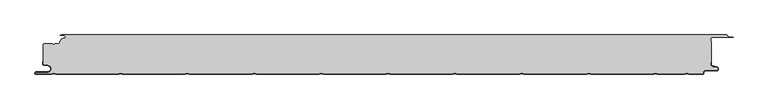
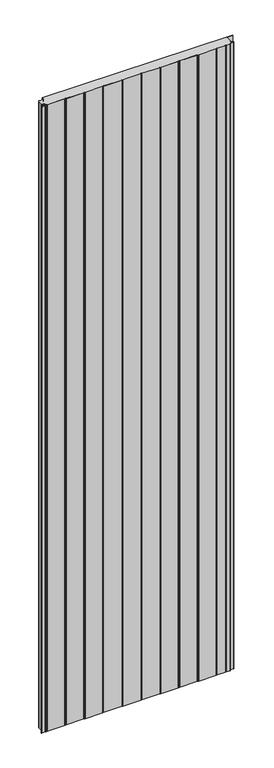
"""IFC4 building model written with IfcOpenShell, lengths in millimetres: plate geometry."""

import ifcopenshell
import ifcopenshell.guid

model = None  # the IFC model being written
_history = None  # IfcOwnerHistory: only IFC2X3 demands one
_inside = {}  # id of a spatial element -> (the spatial element, [elements in it])
_under = {}  # id of a project, library or spatial element -> (it, [spatial elements below it])
_declared = {}  # id of a project -> (the project, [libraries it declares])
_typed = {}  # id of a type object -> (the type object, [elements of that type])
_made_of = {}  # id of a material, layer set ... -> (it, [elements and type objects made of it])


def new_model(schema):
    """Start an empty IFC model of exactly this schema.

    Asked for "IFC4X3", IfcOpenShell would pick the latest addendum, in which some entities
    have other attributes; the version numbers below select the first issue.
    IFC2X3 requires an IfcOwnerHistory on every rooted entity: one is made here for all.
    """
    global model, _history
    if schema == "IFC4X3":
        model = ifcopenshell.file(schema_version=(4, 3, 0, 0))
    else:
        model = ifcopenshell.file(schema=schema)
    _inside.clear()
    _under.clear()
    _declared.clear()
    _typed.clear()
    _made_of.clear()
    _history = None
    if model.schema == "IFC2X3":
        org = make("IfcOrganization", Name="unknown")
        user = make(
            "IfcPersonAndOrganization",
            ThePerson=make("IfcPerson", FamilyName="unknown"),
            TheOrganization=org,
        )
        app = make(
            "IfcApplication",
            ApplicationDeveloper=org,
            Version="unknown",
            ApplicationFullName="unknown",
            ApplicationIdentifier="unknown",
        )
        _history = make(
            "IfcOwnerHistory",
            OwningUser=user,
            OwningApplication=app,
            ChangeAction="ADDED",
            CreationDate=0,
        )
    return model


def make(cls, **values):
    """One entity of the class cls with the attributes given. An attribute that is None is left unset."""
    return model.create_entity(
        cls, **{name: value for name, value in values.items() if value is not None}
    )


def rooted(cls, **values):
    """An entity with a GlobalId (a new one), such as an element, a storey or a relation."""
    return make(cls, GlobalId=ifcopenshell.guid.new(), OwnerHistory=_history, **values)


def si_unit(unit_type, name, prefix=None):
    """IfcSIUnit, for example si_unit("LENGTHUNIT", "METRE", prefix="MILLI")."""
    return make("IfcSIUnit", UnitType=unit_type, Prefix=prefix, Name=name)


def assignment(units):
    """IfcUnitAssignment: the units of a project."""
    return None if units is None else make("IfcUnitAssignment", Units=units)


def point(xyz):
    """IfcCartesianPoint."""
    return None if xyz is None else make("IfcCartesianPoint", Coordinates=xyz)


def direction(xyz):
    """IfcDirection."""
    return None if xyz is None else make("IfcDirection", DirectionRatios=xyz)


def frame(location, z_axis=None, x_axis=None):
    """IfcAxis2Placement3D, a coordinate frame: its origin and axes. An axis left out is left unset."""
    return make(
        "IfcAxis2Placement3D",
        Location=point(location),
        Axis=direction(z_axis),
        RefDirection=direction(x_axis),
    )


def frame_2d(location, x_axis=None):
    """IfcAxis2Placement2D, a coordinate frame in the plane: its origin and x axis."""
    return make(
        "IfcAxis2Placement2D", Location=point(location), RefDirection=direction(x_axis)
    )


def origin():
    """The frame at (0, 0, 0) with its axes left unset."""
    return frame((0.0, 0.0, 0.0))


def origin_with_axes():
    """The frame at (0, 0, 0) with the z axis (0, 0, 1) and the x axis (1, 0, 0) written out."""
    return frame((0.0, 0.0, 0.0), z_axis=(0.0, 0.0, 1.0), x_axis=(1.0, 0.0, 0.0))


def place(relative_to, where):
    """IfcLocalPlacement: puts the frame where relative to a parent placement (None: the world)."""
    return make(
        "IfcLocalPlacement", PlacementRelTo=relative_to, RelativePlacement=where
    )


def context(
    kind, dimensions, precision=None, world=None, true_north=None, identifier=None
):
    """IfcGeometricRepresentationContext, for example the 3D "Model" context."""
    return make(
        "IfcGeometricRepresentationContext",
        ContextIdentifier=identifier,
        ContextType=kind,
        CoordinateSpaceDimension=dimensions,
        Precision=precision,
        WorldCoordinateSystem=world,
        TrueNorth=true_north,
    )


def project(units=None, contexts=None):
    """IfcProject with its units and contexts."""
    return rooted(
        "IfcProject",
        Name="project",
        RepresentationContexts=contexts,
        UnitsInContext=assignment(units),
    )


def spatial(cls, under=None, at=None, **own):
    """A site, building, storey or space (cls), placed at a placement, below another one or the project."""
    s = rooted(cls, ObjectPlacement=at, **own)
    if under is not None:
        _under.setdefault(under.id(), (under, []))[1].append(s)
    return s


def polyline(points):
    """IfcPolyline through the points."""
    return make("IfcPolyline", Points=[point(p) for p in points])


def circle_curve(where, radius):
    """IfcCircle in the frame where."""
    return make("IfcCircle", Position=where, Radius=radius)


def trimmed(basis, trim1, trim2, sense, master):
    """IfcTrimmedCurve: the piece of a basis curve between two trims."""
    return make(
        "IfcTrimmedCurve",
        BasisCurve=basis,
        Trim1=trim1,
        Trim2=trim2,
        SenseAgreement=sense,
        MasterRepresentation=master,
    )


def segment(curve, same_sense, transition):
    """IfcCompositeCurveSegment."""
    return make(
        "IfcCompositeCurveSegment",
        Transition=transition,
        SameSense=same_sense,
        ParentCurve=curve,
    )


def composite_curve(segments, self_intersect=None):
    """IfcCompositeCurve: segments joined end to end."""
    return make("IfcCompositeCurve", Segments=segments, SelfIntersect=self_intersect)


def outline(outer, holes=None, kind="AREA"):
    """IfcArbitraryClosedProfileDef: a profile drawn as a closed curve; with holes, ...WithVoids."""
    if holes is None:
        return make("IfcArbitraryClosedProfileDef", ProfileType=kind, OuterCurve=outer)
    return make(
        "IfcArbitraryProfileDefWithVoids",
        ProfileType=kind,
        OuterCurve=outer,
        InnerCurves=holes,
    )


def extrude(swept, where, along, depth):
    """IfcExtrudedAreaSolid: the profile swept, set in the frame where, extruded along a direction by depth."""
    return make(
        "IfcExtrudedAreaSolid",
        SweptArea=swept,
        Position=where,
        ExtrudedDirection=direction(along),
        Depth=depth,
    )


def shape(context_of_items, identifier, shape_type, items):
    """IfcShapeRepresentation: the items that make up one representation, for example the "Body"."""
    return make(
        "IfcShapeRepresentation",
        ContextOfItems=context_of_items,
        RepresentationIdentifier=identifier,
        RepresentationType=shape_type,
        Items=items,
    )


def source(mapping_origin, context_of_items, identifier, shape_type, items):
    """IfcRepresentationMap: a shape defined once, which mapped items show again and again."""
    return make(
        "IfcRepresentationMap",
        MappingOrigin=mapping_origin,
        MappedRepresentation=shape(context_of_items, identifier, shape_type, items),
    )


def transform(
    local_origin,
    x_axis=None,
    y_axis=None,
    z_axis=None,
    scale=None,
    scale2=None,
    scale3=None,
    uniform=True,
):
    """IfcCartesianTransformationOperator3D, or its non-uniform kind. x_axis, y_axis, z_axis: its Axis1, 2, 3."""
    if uniform:
        return make(
            "IfcCartesianTransformationOperator3D",
            Axis1=direction(x_axis),
            Axis2=direction(y_axis),
            LocalOrigin=point(local_origin),
            Scale=scale,
            Axis3=direction(z_axis),
        )
    return make(
        "IfcCartesianTransformationOperator3DnonUniform",
        Axis1=direction(x_axis),
        Axis2=direction(y_axis),
        LocalOrigin=point(local_origin),
        Scale=scale,
        Axis3=direction(z_axis),
        Scale2=scale2,
        Scale3=scale3,
    )


def mapped(mapping_source, mapping_target):
    """IfcMappedItem: shows the shape of a source again, moved by a transform."""
    return make(
        "IfcMappedItem", MappingSource=mapping_source, MappingTarget=mapping_target
    )


def made_of(thing, what):
    """Note that an element or type object is made of a material, layer set ...; save() writes the relation."""
    if what is not None:
        _made_of.setdefault(what.id(), (what, []))[1].append(thing)
    return thing


def element(
    cls,
    number,
    at=None,
    inside=None,
    cuts=None,
    type_object=None,
    material=None,
    context=None,
    identifier="Body",
    shape_type=None,
    held_by="IfcProductDefinitionShape",
    body=None,
    shapes=None,
    **own,
):
    """One element of the class cls, such as IfcWall. Its Tag is "e" and its number.

    at: its placement. inside: the storey or other place that contains it. cuts: it is an
    opening in that element (IfcRelVoidsElement). A single representation is given by context,
    identifier, shape_type and body (its items); several are given by shapes. held_by: the class
    of the entity that holds the representations. save() writes the other relations.
    """
    e = rooted(cls, Tag="e%d" % number, ObjectPlacement=at, **own)
    if body is not None:
        shapes = [shape(context, identifier, shape_type, body)]
    if shapes is not None:
        e.Representation = make(held_by, Representations=shapes)
    if inside is not None:
        _inside.setdefault(inside.id(), (inside, []))[1].append(e)
    if cuts is not None:
        rooted(
            "IfcRelVoidsElement", RelatingBuildingElement=cuts, RelatedOpeningElement=e
        )
    if type_object is not None:
        _typed.setdefault(type_object.id(), (type_object, []))[1].append(e)
    return made_of(e, material)


def aggregate(whole, parts):
    """IfcRelAggregates: a whole, such as a stair, and the parts it consists of."""
    return rooted("IfcRelAggregates", RelatingObject=whole, RelatedObjects=parts)


def save(model, path):
    """Write the relations noted so far, then the file.

    IfcRelAggregates (storeys below a building ...), IfcRelContainedInSpatialStructure (elements
    in a storey), IfcRelDefinesByType, IfcRelAssociatesMaterial and IfcRelDeclares: one each for
    every whole, place, type object, material and project.
    """
    for whole, parts in _under.values():
        aggregate(whole, parts)
    for where, things in _inside.values():
        rooted(
            "IfcRelContainedInSpatialStructure",
            RelatedElements=things,
            RelatingStructure=where,
        )
    for kind, things in _typed.values():
        rooted("IfcRelDefinesByType", RelatedObjects=things, RelatingType=kind)
    for what, things in _made_of.values():
        rooted("IfcRelAssociatesMaterial", RelatedObjects=things, RelatingMaterial=what)
    for by, libraries in _declared.values():
        rooted("IfcRelDeclares", RelatingContext=by, RelatedDefinitions=libraries)
    model.write(path)


def plane_surface(at):
    """IfcPlane: the flat surface through the origin of the frame at, square to its z axis."""
    return make("IfcPlane", Position=at)


def cylinder_surface(at, radius):
    """IfcCylindricalSurface: all points at the distance radius from the z axis of the frame at."""
    return make("IfcCylindricalSurface", Position=at, Radius=radius)


def revolved_surface(curve, axis_point, axis_direction):
    """IfcSurfaceOfRevolution: the curve turned about the line through axis_point along axis_direction."""
    return make(
        "IfcSurfaceOfRevolution",
        SweptCurve=make("IfcArbitraryOpenProfileDef", ProfileType="CURVE", Curve=curve),
        AxisPosition=make("IfcAxis1Placement", Location=point(axis_point), Axis=direction(axis_direction)),
    )


def advanced_brep(points, edges, surfaces, faces):
    """IfcAdvancedBrep: a solid bounded by faces that lie on surfaces and meet in shared edges.

    An edge is (start, end): straight between two places in points (the first is 0);
    or (start, end, curve); or (start, end, curve, False) where it runs against its curve.
    A face is (place in surfaces, loops), or (place, loops, False) where it looks against
    its surface's normal. A loop lists edges by number (the first is 1), with a minus sign
    where the edge is run from its end to its start. The first loop is the outer one.
    """
    corners = [point(p) for p in points]
    vertices = [make("IfcVertexPoint", VertexGeometry=c) for c in corners]
    made = []
    for start, end, *more in edges:
        made.append(
            make(
                "IfcEdgeCurve",
                EdgeStart=vertices[start],
                EdgeEnd=vertices[end],
                EdgeGeometry=more[0] if more else make("IfcPolyline", Points=[corners[start], corners[end]]),
                SameSense=more[1] if len(more) > 1 else True,
            )
        )
    hull = []
    for where, loops, *sense in faces:
        bounds = []
        for j, loop in enumerate(loops):
            ring = [make("IfcOrientedEdge", EdgeElement=made[abs(k) - 1], Orientation=k > 0) for k in loop]
            bounds.append(
                make(
                    "IfcFaceOuterBound" if j == 0 else "IfcFaceBound",
                    Bound=make("IfcEdgeLoop", EdgeList=ring),
                    Orientation=True,
                )
            )
        hull.append(make("IfcAdvancedFace", Bounds=bounds, FaceSurface=surfaces[where], SameSense=sense[0] if sense else True))
    return make("IfcAdvancedBrep", Outer=make("IfcClosedShell", CfsFaces=hull))


def plate_bbcc4b8d(model_context):
    return source(origin(), model_context, "Body", "SolidModel", [
        advanced_brep(
        [(523.8595905, -2.0325427, 3500.0), (522.5460884, -0.8, 3500.0), (-471.6637731, -0.8, 3500.0), (-474.0000003, -1.3234618, 3500.0), (-468.0000003, -1.3234618, 3500.0), (-468.1134423, -5.9206625, 3500.0), (-474.1919837, -12.028303, 3500.0), (-476.0000003, -13.9234618, 3500.0), (-482.1686293, -13.9234618, 3500.0), (-484.0000002, -15.7548327, 3500.0), (-485.831371, -13.9234618, 3500.0), (-497.4, -13.9234618, 3500.0), (-499.2, -15.7234618, 3500.0), (-499.2, -44.0038437, 3500.0), (-498.2083778, -45.185613, 3500.0), (-491.7622998, -46.3222305, 3500.0), (-492.7, -57.0401924, 3500.0), (-509.7, -57.0401924, 3500.0), (-509.7, -59.2401924, 3500.0), (-486.6751286, -59.2401924, 3500.0), (-484.45, -57.9555137, 3500.0), (-482.7606357, -57.9494241, 3500.0), (-480.4557934, -59.2, 3500.0), (-386.6055134, -59.2, 3500.0), (-384.45, -57.9555137, 3500.0), (-382.7606357, -57.9494241, 3500.0), (-380.4557934, -59.2, 3500.0), (-286.6055134, -59.2, 3500.0), (-284.45, -57.9555137, 3500.0), (-282.7606357, -57.9494242, 3500.0), (-280.4557934, -59.2, 3500.0), (-186.6055134, -59.2, 3500.0), (-184.45, -57.9555137, 3500.0), (-182.7606357, -57.9494242, 3500.0), (-180.4557934, -59.2, 3500.0), (-86.6055134, -59.2, 3500.0), (-84.45, -57.9555137, 3500.0), (-82.7606357, -57.9494242, 3500.0), (-80.4557934, -59.2, 3500.0), (13.3944866, -59.2, 3500.0), (15.55, -57.9555137, 3500.0), (17.2393643, -57.9494242, 3500.0), (19.5442066, -59.2, 3500.0), (113.3944866, -59.2, 3500.0), (115.55, -57.9555137, 3500.0), (117.2393643, -57.9494242, 3500.0), (119.5442066, -59.2, 3500.0), (213.3944866, -59.2, 3500.0), (215.55, -57.9555137, 3500.0), (217.2393643, -57.9494242, 3500.0), (219.5442066, -59.2, 3500.0), (313.3944866, -59.2, 3500.0), (315.55, -57.9555137, 3500.0), (317.2393643, -57.9494242, 3500.0), (319.5442066, -59.2, 3500.0), (413.3944866, -59.2, 3500.0), (415.55, -57.9555138, 3500.0), (417.2393643, -57.9494242, 3500.0), (419.5442066, -59.2000001, 3500.0), (460.2243041, -59.2000001, 3500.0), (462.3798174, -57.9555138, 3500.0), (464.0741626, -57.9522634, 3500.0), (466.3793035, -59.2401924, 3500.0), (487.0105556, -59.2401924, 3500.0), (487.6105556, -58.6401924, 3500.0), (487.6105556, -57.2401924, 3500.0), (491.0105556, -53.8401924, 3500.0), (507.5, -53.8401924, 3500.0), (507.9948923, -49.4965783, 3500.0), (501.8351664, -48.0744935, 3500.0), (499.2, -44.7616353, 3500.0), (499.2, -40.6401924, 3500.0), (500.0, -40.6401924, 3500.0), (500.0, -10.3245382, 3500.0), (499.2, -10.3245382, 3500.0), (499.2, -6.8245382, 3500.0), (502.0, -4.0245382, 3500.0), (532.5, -4.0245382, 3500.0), (525.8912786, -3.5911794, 3500.0), (523.8595905, -2.0325427, 0.0), (525.8912786, -3.5911794, 0.0), (532.5, -4.0245382, 0.0), (502.0, -4.0245382, 0.0), (499.2, -6.8245382, 0.0), (499.2, -10.3245382, 0.0), (500.0, -10.3245382, 0.0), (500.0, -40.6401924, 0.0), (499.2, -40.6401924, 0.0), (499.2, -44.7616353, 0.0), (501.8351664, -48.0744935, 0.0), (507.9948923, -49.4965783, 0.0), (507.5, -53.8401924, 0.0), (491.0105556, -53.8401924, 0.0), (487.6105556, -57.2401924, 0.0), (487.6105556, -58.6401924, 0.0), (487.0105556, -59.2401924, 0.0), (466.3793035, -59.2401924, 0.0), (464.0741626, -57.9522634, 0.0), (462.3798174, -57.9555138, 0.0), (460.2243041, -59.2000001, 0.0), (419.5442066, -59.2000001, 0.0), (417.2393643, -57.9494242, 0.0), (415.55, -57.9555138, 0.0), (413.3944866, -59.2, 0.0), (319.5442066, -59.2, 0.0), (317.2393643, -57.9494242, 0.0), (315.55, -57.9555137, 0.0), (313.3944866, -59.2, 0.0), (219.5442066, -59.2, 0.0), (217.2393643, -57.9494242, 0.0), (215.55, -57.9555137, 0.0), (213.3944866, -59.2, 0.0), (119.5442066, -59.2, 0.0), (117.2393643, -57.9494242, 0.0), (115.55, -57.9555137, 0.0), (113.3944866, -59.2, 0.0), (19.5442066, -59.2, 0.0), (17.2393643, -57.9494242, 0.0), (15.55, -57.9555137, 0.0), (13.3944866, -59.2, 0.0), (-80.4557934, -59.2, 0.0), (-82.7606357, -57.9494242, 0.0), (-84.45, -57.9555137, 0.0), (-86.6055134, -59.2, 0.0), (-180.4557934, -59.2, 0.0), (-182.7606357, -57.9494242, 0.0), (-184.45, -57.9555137, 0.0), (-186.6055134, -59.2, 0.0), (-280.4557934, -59.2, 0.0), (-282.7606357, -57.9494242, 0.0), (-284.45, -57.9555137, 0.0), (-286.6055134, -59.2, 0.0), (-380.4557934, -59.2, 0.0), (-382.7606357, -57.9494241, 0.0), (-384.45, -57.9555137, 0.0), (-386.6055134, -59.2, 0.0), (-480.4557934, -59.2, 0.0), (-482.7606357, -57.9494241, 0.0), (-484.45, -57.9555137, 0.0), (-486.6751286, -59.2401924, 0.0), (-509.7, -59.2401924, 0.0), (-509.7, -57.0401924, 0.0), (-492.7, -57.0401924, 0.0), (-491.7622998, -46.3222305, 0.0), (-498.2083778, -45.185613, 0.0), (-499.2, -44.0038437, 0.0), (-499.2, -15.7234618, 0.0), (-497.4, -13.9234618, 0.0), (-485.831371, -13.9234618, 0.0), (-484.0000002, -15.7548327, 0.0), (-482.1686293, -13.9234618, 0.0), (-476.0000003, -13.9234618, 0.0), (-474.2024882, -12.0288559, 0.0), (-468.1139291, -5.930521, 0.0), (-468.0000003, -1.3234618, 0.0), (-474.0000003, -1.3234618, 0.0), (-471.6637731, -0.8, 0.0), (522.5460884, -0.8, 0.0)],
        [
            (0, 1, circle_curve(frame((522.5460884, -2.116161, 3500.0), z_axis=(0.0, 0.0, 1.0), x_axis=(1.0, 0.0, 0.0)), 1.316161)),
            (1, 2),
            (2, 3),
            (3, 4),
            (4, 5, circle_curve(frame((-468.0000003, -3.6234618, 3500.0), z_axis=(0.0, 0.0, -1.0), x_axis=(1.0, 0.0, 0.0)), 2.3)),
            (5, 6, circle_curve(frame((-468.4000003, -11.7234618, 3500.0), z_axis=(0.0, 0.0, 1.0), x_axis=(1.0, 0.0, 0.0)), 5.8)),
            (6, 7, circle_curve(frame((-476.0000003, -12.1234618, 3500.0), z_axis=(0.0, 0.0, -1.0), x_axis=(1.0, 0.0, 0.0)), 1.8)),
            (7, 8),
            (8, 9),
            (9, 10),
            (10, 11),
            (11, 12, circle_curve(frame((-497.4, -15.7234618, 3500.0), z_axis=(0.0, 0.0, 1.0), x_axis=(1.0, 0.0, 0.0)), 1.8)),
            (12, 13),
            (13, 14, circle_curve(frame((-498.0, -44.0038437, 3500.0), z_axis=(0.0, 0.0, 1.0), x_axis=(1.0, 0.0, 0.0)), 1.2)),
            (14, 15),
            (15, 16, circle_curve(frame((-492.7, -51.6401924, 3500.0), z_axis=(0.0, 0.0, -1.0), x_axis=(1.0, 0.0, 0.0)), 5.4)),
            (16, 17),
            (17, 18, circle_curve(frame((-509.7, -58.1401924, 3500.0), z_axis=(0.0, 0.0, 1.0), x_axis=(1.0, 0.0, 0.0)), 1.1)),
            (18, 19),
            (19, 20),
            (20, 21, circle_curve(frame((-483.6, -59.4277569, 3500.0), z_axis=(0.0, 0.0, -1.0), x_axis=(1.0, 0.0, 0.0)), 1.7)),
            (21, 22),
            (22, 23),
            (23, 24),
            (24, 25, circle_curve(frame((-383.6, -59.4277569, 3500.0), z_axis=(0.0, 0.0, -1.0), x_axis=(1.0, 0.0, 0.0)), 1.7)),
            (25, 26),
            (26, 27),
            (27, 28),
            (28, 29, circle_curve(frame((-283.6, -59.4277569, 3500.0), z_axis=(0.0, 0.0, -1.0), x_axis=(1.0, 0.0, 0.0)), 1.7)),
            (29, 30),
            (30, 31),
            (31, 32),
            (32, 33, circle_curve(frame((-183.6, -59.4277569, 3500.0), z_axis=(0.0, 0.0, -1.0), x_axis=(1.0, 0.0, 0.0)), 1.7)),
            (33, 34),
            (34, 35),
            (35, 36),
            (36, 37, circle_curve(frame((-83.6, -59.4277569, 3500.0), z_axis=(0.0, 0.0, -1.0), x_axis=(1.0, 0.0, 0.0)), 1.7)),
            (37, 38),
            (38, 39),
            (39, 40),
            (40, 41, circle_curve(frame((16.4, -59.4277569, 3500.0), z_axis=(0.0, 0.0, -1.0), x_axis=(1.0, 0.0, 0.0)), 1.7)),
            (41, 42),
            (42, 43),
            (43, 44),
            (44, 45, circle_curve(frame((116.4, -59.4277569, 3500.0), z_axis=(0.0, 0.0, -1.0), x_axis=(1.0, 0.0, 0.0)), 1.7)),
            (45, 46),
            (46, 47),
            (47, 48),
            (48, 49, circle_curve(frame((216.4, -59.4277569, 3500.0), z_axis=(0.0, 0.0, -1.0), x_axis=(1.0, 0.0, 0.0)), 1.7)),
            (49, 50),
            (50, 51),
            (51, 52),
            (52, 53, circle_curve(frame((316.4, -59.4277569, 3500.0), z_axis=(0.0, 0.0, -1.0), x_axis=(1.0, 0.0, 0.0)), 1.7)),
            (53, 54),
            (54, 55),
            (55, 56),
            (56, 57, circle_curve(frame((416.4, -59.4277569, 3500.0), z_axis=(0.0, 0.0, -1.0), x_axis=(1.0, 0.0, 0.0)), 1.7)),
            (57, 58),
            (58, 59),
            (59, 60),
            (60, 61, circle_curve(frame((463.2298174, -59.4277569, 3500.0), z_axis=(0.0, 0.0, -1.0), x_axis=(1.0, 0.0, 0.0)), 1.7)),
            (61, 62),
            (62, 63),
            (63, 64, circle_curve(frame((487.0105556, -58.6401924, 3500.0), z_axis=(0.0, 0.0, 1.0), x_axis=(1.0, 0.0, 0.0)), 0.6)),
            (64, 65),
            (65, 66, circle_curve(frame((491.0105556, -57.2401924, 3500.0), z_axis=(0.0, 0.0, -1.0), x_axis=(1.0, 0.0, 0.0)), 3.4)),
            (66, 67),
            (67, 68, circle_curve(frame((507.5, -51.6401924, 3500.0), z_axis=(0.0, 0.0, 1.0), x_axis=(1.0, 0.0, 0.0)), 2.2)),
            (68, 69),
            (69, 70, circle_curve(frame((502.6, -44.7616353, 3500.0), z_axis=(0.0, 0.0, -1.0), x_axis=(1.0, 0.0, 0.0)), 3.4)),
            (70, 71),
            (71, 72),
            (72, 73),
            (73, 74),
            (74, 75),
            (75, 76, circle_curve(frame((502.0, -6.8245382, 3500.0), z_axis=(0.0, 0.0, -1.0), x_axis=(1.0, 0.0, 0.0)), 2.8)),
            (76, 77),
            (77, 78),
            (78, 0, circle_curve(frame((525.5561562, -1.9245382, 3500.0), z_axis=(0.0, 0.0, -1.0), x_axis=(1.0, 0.0, 0.0)), 1.7)),
            (79, 80, circle_curve(frame((525.5561562, -1.9245382, 0.0), z_axis=(0.0, 0.0, 1.0), x_axis=(1.0, 0.0, 0.0)), 1.7)),
            (80, 81),
            (81, 82),
            (82, 83, circle_curve(frame((502.0, -6.8245382, 0.0), z_axis=(0.0, 0.0, 1.0), x_axis=(1.0, 0.0, 0.0)), 2.8)),
            (83, 84),
            (84, 85),
            (85, 86),
            (86, 87),
            (87, 88),
            (88, 89, circle_curve(frame((502.6, -44.7616353, 0.0), z_axis=(0.0, 0.0, 1.0), x_axis=(1.0, 0.0, 0.0)), 3.4)),
            (89, 90),
            (90, 91, circle_curve(frame((507.5, -51.6401924, 0.0), z_axis=(0.0, 0.0, -1.0), x_axis=(1.0, 0.0, 0.0)), 2.2)),
            (91, 92),
            (92, 93, circle_curve(frame((491.0105556, -57.2401924, 0.0), z_axis=(0.0, 0.0, 1.0), x_axis=(1.0, 0.0, 0.0)), 3.4)),
            (93, 94),
            (94, 95, circle_curve(frame((487.0105556, -58.6401924, 0.0), z_axis=(0.0, 0.0, -1.0), x_axis=(1.0, 0.0, 0.0)), 0.6)),
            (95, 96),
            (96, 97),
            (97, 98, circle_curve(frame((463.2298174, -59.4277569, 0.0), z_axis=(0.0, 0.0, 1.0), x_axis=(1.0, 0.0, 0.0)), 1.7)),
            (98, 99),
            (99, 100),
            (100, 101),
            (101, 102, circle_curve(frame((416.4, -59.4277569, 0.0), z_axis=(0.0, 0.0, 1.0), x_axis=(1.0, 0.0, 0.0)), 1.7)),
            (102, 103),
            (103, 104),
            (104, 105),
            (105, 106, circle_curve(frame((316.4, -59.4277569, 0.0), z_axis=(0.0, 0.0, 1.0), x_axis=(1.0, 0.0, 0.0)), 1.7)),
            (106, 107),
            (107, 108),
            (108, 109),
            (109, 110, circle_curve(frame((216.4, -59.4277569, 0.0), z_axis=(0.0, 0.0, 1.0), x_axis=(1.0, 0.0, 0.0)), 1.7)),
            (110, 111),
            (111, 112),
            (112, 113),
            (113, 114, circle_curve(frame((116.4, -59.4277569, 0.0), z_axis=(0.0, 0.0, 1.0), x_axis=(1.0, 0.0, 0.0)), 1.7)),
            (114, 115),
            (115, 116),
            (116, 117),
            (117, 118, circle_curve(frame((16.4, -59.4277569, 0.0), z_axis=(0.0, 0.0, 1.0), x_axis=(1.0, 0.0, 0.0)), 1.7)),
            (118, 119),
            (119, 120),
            (120, 121),
            (121, 122, circle_curve(frame((-83.6, -59.4277569, 0.0), z_axis=(0.0, 0.0, 1.0), x_axis=(1.0, 0.0, 0.0)), 1.7)),
            (122, 123),
            (123, 124),
            (124, 125),
            (125, 126, circle_curve(frame((-183.6, -59.4277569, 0.0), z_axis=(0.0, 0.0, 1.0), x_axis=(1.0, 0.0, 0.0)), 1.7)),
            (126, 127),
            (127, 128),
            (128, 129),
            (129, 130, circle_curve(frame((-283.6, -59.4277569, 0.0), z_axis=(0.0, 0.0, 1.0), x_axis=(1.0, 0.0, 0.0)), 1.7)),
            (130, 131),
            (131, 132),
            (132, 133),
            (133, 134, circle_curve(frame((-383.6, -59.4277569, 0.0), z_axis=(0.0, 0.0, 1.0), x_axis=(1.0, 0.0, 0.0)), 1.7)),
            (134, 135),
            (135, 136),
            (136, 137),
            (137, 138, circle_curve(frame((-483.6, -59.4277569, 0.0), z_axis=(0.0, 0.0, 1.0), x_axis=(1.0, 0.0, 0.0)), 1.7)),
            (138, 139),
            (139, 140),
            (140, 141, circle_curve(frame((-509.7, -58.1401924, 0.0), z_axis=(0.0, 0.0, -1.0), x_axis=(1.0, 0.0, 0.0)), 1.1)),
            (141, 142),
            (142, 143, circle_curve(frame((-492.7, -51.6401924, 0.0), z_axis=(0.0, 0.0, 1.0), x_axis=(1.0, 0.0, 0.0)), 5.4)),
            (143, 144),
            (144, 145, circle_curve(frame((-498.0, -44.0038437, 0.0), z_axis=(0.0, 0.0, -1.0), x_axis=(1.0, 0.0, 0.0)), 1.2)),
            (145, 146),
            (146, 147, circle_curve(frame((-497.4, -15.7234618, 0.0), z_axis=(0.0, 0.0, -1.0), x_axis=(1.0, 0.0, 0.0)), 1.8)),
            (147, 148),
            (148, 149),
            (149, 150),
            (150, 151),
            (151, 152, circle_curve(frame((-476.0000003, -12.1234618, 0.0), z_axis=(0.0, 0.0, 1.0), x_axis=(1.0, 0.0, 0.0)), 1.8)),
            (152, 153, circle_curve(frame((-468.4000003, -11.7234618, 0.0), z_axis=(0.0, 0.0, -1.0), x_axis=(1.0, 0.0, 0.0)), 5.8)),
            (153, 154, circle_curve(frame((-468.0000003, -3.6234618, 0.0), z_axis=(0.0, 0.0, 1.0), x_axis=(1.0, 0.0, 0.0)), 2.3)),
            (154, 155),
            (155, 156),
            (156, 157),
            (157, 79, circle_curve(frame((522.5460884, -2.116161, 0.0), z_axis=(0.0, 0.0, -1.0), x_axis=(1.0, 0.0, 0.0)), 1.316161)),
            (0, 79),
            (157, 1),
            (156, 2),
            (155, 3),
            (154, 4),
            (153, 5),
            (152, 6),
            (151, 7),
            (150, 8),
            (149, 9),
            (148, 10),
            (147, 11),
            (146, 12),
            (145, 13),
            (144, 14),
            (143, 15),
            (142, 16),
            (141, 17),
            (140, 18),
            (139, 19),
            (138, 20),
            (137, 21),
            (136, 22),
            (135, 23),
            (134, 24),
            (133, 25),
            (132, 26),
            (131, 27),
            (130, 28),
            (129, 29),
            (128, 30),
            (127, 31),
            (126, 32),
            (125, 33),
            (124, 34),
            (123, 35),
            (122, 36),
            (121, 37),
            (120, 38),
            (119, 39),
            (118, 40),
            (117, 41),
            (116, 42),
            (115, 43),
            (114, 44),
            (113, 45),
            (112, 46),
            (111, 47),
            (110, 48),
            (109, 49),
            (108, 50),
            (107, 51),
            (106, 52),
            (105, 53),
            (104, 54),
            (103, 55),
            (102, 56),
            (101, 57),
            (100, 58),
            (99, 59),
            (98, 60),
            (97, 61),
            (96, 62),
            (95, 63),
            (94, 64),
            (93, 65),
            (92, 66),
            (91, 67),
            (90, 68),
            (89, 69),
            (88, 70),
            (87, 71),
            (86, 72),
            (85, 73),
            (84, 74),
            (83, 75),
            (82, 76),
            (81, 77),
            (80, 78),
        ],
        [
            plane_surface(frame((-500.0, -60.0, 3500.0), z_axis=(0.0, 0.0, 1.0), x_axis=(0.0, 1.0, 0.0))),
            plane_surface(frame((-500.0, -60.0, 0.0), z_axis=(0.0, 0.0, -1.0), x_axis=(0.0, 1.0, 0.0))),
            cylinder_surface(frame((522.5460884, -2.116161, 3500.0), z_axis=(0.0, 0.0, 1.0), x_axis=(1.0, 0.0, 0.0)), 1.316161),
            plane_surface(frame((522.5460884, -0.8, 3500.0), z_axis=(0.0, 1.0, 0.0), x_axis=(0.0, 0.0, -1.0))),
            plane_surface(frame((-471.6637731, -0.8, 3500.0), z_axis=(-0.21864173282830812, 0.975805202212939, 0.0), x_axis=(0.0, 0.0, -1.0))),
            plane_surface(frame((-474.0000003, -1.3234618, 3500.0), z_axis=(0.0, -1.0, 0.0), x_axis=(0.0, 0.0, -1.0))),
            revolved_surface(polyline([(-465.7000003, -3.6234618, 0.0), (-465.7000003, -3.6234618, 3500.0)]), (-468.0000003, -3.6234618, 3500.0), (0.0, 0.0, -1.0)),
            cylinder_surface(frame((-468.4000003, -11.7234618, 3500.0), z_axis=(0.0, 0.0, 1.0), x_axis=(1.0, 0.0, 0.0)), 5.8),
            revolved_surface(polyline([(-474.2000003, -12.1234618, 0.0), (-474.2000003, -12.1234618, 3500.0)]), (-476.0000003, -12.1234618, 3500.0), (0.0, 0.0, -1.0)),
            plane_surface(frame((-476.0000003, -13.9234618, 3500.0), z_axis=(0.0, 1.0, 0.0), x_axis=(0.0, 0.0, -1.0))),
            plane_surface(frame((-482.1686293, -13.9234618, 3500.0), z_axis=(-0.7071067810231892, 0.7071067813499059, 0.0), x_axis=(0.0, 0.0, -1.0))),
            plane_surface(frame((-484.0000002, -15.7548327, 3500.0), z_axis=(0.7071067813499059, 0.7071067810231892, 0.0), x_axis=(0.0, 0.0, -1.0))),
            plane_surface(frame((-485.831371, -13.9234618, 3500.0), z_axis=(0.0, 1.0, 0.0), x_axis=(0.0, 0.0, -1.0))),
            cylinder_surface(frame((-497.4, -15.7234618, 3500.0), z_axis=(0.0, 0.0, 1.0), x_axis=(1.0, 0.0, 0.0)), 1.8),
            plane_surface(frame((-499.2, -17.1226667, 3500.0), z_axis=(-1.0, 0.0, 0.0), x_axis=(0.0, 0.0, -1.0))),
            cylinder_surface(frame((-498.0, -44.0038437, 3500.0), z_axis=(0.0, 0.0, 1.0), x_axis=(1.0, 0.0, 0.0)), 1.2),
            plane_surface(frame((-498.2083778, -45.185613, 3500.0), z_axis=(-0.1736481776669248, -0.984807753012209, 0.0), x_axis=(0.0, 0.0, -1.0))),
            revolved_surface(polyline([(-487.3, -51.6401924, 0.0), (-487.3, -51.6401924, 3500.0)]), (-492.7, -51.6401924, 3500.0), (0.0, 0.0, -1.0)),
            plane_surface(frame((-492.7, -57.0401924, 3500.0), z_axis=(0.0, 1.0, 0.0), x_axis=(0.0, 0.0, -1.0))),
            cylinder_surface(frame((-509.7, -58.1401924, 3500.0), z_axis=(0.0, 0.0, 1.0), x_axis=(1.0, 0.0, 0.0)), 1.1),
            plane_surface(frame((-509.7, -59.2401924, 3500.0), z_axis=(0.0, -1.0, 0.0), x_axis=(0.0, 0.0, -1.0))),
            plane_surface(frame((-486.6751286, -59.2401924, 3500.0), z_axis=(0.5000000299311667, -0.8660253865036709, 0.0), x_axis=(0.0, 0.0, -1.0))),
            revolved_surface(polyline([(-481.90000000000003, -59.4277569, 0.0), (-481.90000000000003, -59.4277569, 3500.0)]), (-483.6, -59.4277569, 3500.0), (0.0, 0.0, -1.0)),
            plane_surface(frame((-482.7606357, -57.9494241, 3500.0), z_axis=(-0.47690797328217005, -0.878953232555574, 0.0), x_axis=(0.0, 0.0, -1.0))),
            plane_surface(frame((-480.4557934, -59.2, 3500.0), z_axis=(0.0, -1.0, 0.0), x_axis=(0.0, 0.0, -1.0))),
            plane_surface(frame((-386.6055134, -59.2, 3500.0), z_axis=(0.5000000299307237, -0.8660253865039267, 0.0), x_axis=(0.0, 0.0, -1.0))),
            revolved_surface(polyline([(-381.90000000000003, -59.4277569, 0.0), (-381.90000000000003, -59.4277569, 3500.0)]), (-383.6, -59.4277569, 3500.0), (0.0, 0.0, -1.0)),
            plane_surface(frame((-382.7606357, -57.9494241, 3500.0), z_axis=(-0.4769079732821666, -0.8789532325555759, 0.0), x_axis=(0.0, 0.0, -1.0))),
            plane_surface(frame((-380.4557934, -59.2, 3500.0), z_axis=(0.0, -1.0, 0.0), x_axis=(0.0, 0.0, -1.0))),
            plane_surface(frame((-286.6055134, -59.2, 3500.0), z_axis=(0.5000000299311692, -0.8660253865036693, 0.0), x_axis=(0.0, 0.0, -1.0))),
            revolved_surface(polyline([(-281.90000000000003, -59.4277569, 0.0), (-281.90000000000003, -59.4277569, 3500.0)]), (-283.6, -59.4277569, 3500.0), (0.0, 0.0, -1.0)),
            plane_surface(frame((-282.7606357, -57.9494242, 3500.0), z_axis=(-0.4769079732821966, -0.8789532325555597, 0.0), x_axis=(0.0, 0.0, -1.0))),
            plane_surface(frame((-280.4557934, -59.2, 3500.0), z_axis=(0.0, -1.0, 0.0), x_axis=(0.0, 0.0, -1.0))),
            plane_surface(frame((-186.6055134, -59.2, 3500.0), z_axis=(0.5000000299307252, -0.8660253865039258, 0.0), x_axis=(0.0, 0.0, -1.0))),
            revolved_surface(polyline([(-181.9, -59.4277569, 0.0), (-181.9, -59.4277569, 3500.0)]), (-183.6, -59.4277569, 3500.0), (0.0, 0.0, -1.0)),
            plane_surface(frame((-182.7606357, -57.9494242, 3500.0), z_axis=(-0.4769079732823461, -0.8789532325554785, 0.0), x_axis=(0.0, 0.0, -1.0))),
            plane_surface(frame((-180.4557934, -59.2, 3500.0), z_axis=(0.0, -1.0, 0.0), x_axis=(0.0, 0.0, -1.0))),
            plane_surface(frame((-86.6055134, -59.2, 3500.0), z_axis=(0.5000000299313181, -0.8660253865035835, 0.0), x_axis=(0.0, 0.0, -1.0))),
            revolved_surface(polyline([(-81.89999999999999, -59.4277569, 0.0), (-81.89999999999999, -59.4277569, 3500.0)]), (-83.6, -59.4277569, 3500.0), (0.0, 0.0, -1.0)),
            plane_surface(frame((-82.7606357, -57.9494242, 3500.0), z_axis=(-0.4769079732823407, -0.8789532325554815, 0.0), x_axis=(0.0, 0.0, -1.0))),
            plane_surface(frame((-80.4557934, -59.2, 3500.0), z_axis=(0.0, -1.0, 0.0), x_axis=(0.0, 0.0, -1.0))),
            plane_surface(frame((13.3944866, -59.2, 3500.0), z_axis=(0.500000029930723, -0.866025386503927, 0.0), x_axis=(0.0, 0.0, -1.0))),
            revolved_surface(polyline([(18.099999999999998, -59.4277569, 0.0), (18.099999999999998, -59.4277569, 3500.0)]), (16.4, -59.4277569, 3500.0), (0.0, 0.0, -1.0)),
            plane_surface(frame((17.2393643, -57.9494242, 3500.0), z_axis=(-0.4769079732822356, -0.8789532325555385, 0.0), x_axis=(0.0, 0.0, -1.0))),
            plane_surface(frame((19.5442066, -59.2, 3500.0), z_axis=(0.0, -1.0, 0.0), x_axis=(0.0, 0.0, -1.0))),
            plane_surface(frame((113.3944866, -59.2, 3500.0), z_axis=(0.5000000299311671, -0.8660253865036706, 0.0), x_axis=(0.0, 0.0, -1.0))),
            revolved_surface(polyline([(118.10000000000001, -59.4277569, 0.0), (118.10000000000001, -59.4277569, 3500.0)]), (116.4, -59.4277569, 3500.0), (0.0, 0.0, -1.0)),
            plane_surface(frame((117.2393643, -57.9494242, 3500.0), z_axis=(-0.4769079732821772, -0.8789532325555701, 0.0), x_axis=(0.0, 0.0, -1.0))),
            plane_surface(frame((119.5442066, -59.2, 3500.0), z_axis=(0.0, -1.0, 0.0), x_axis=(0.0, 0.0, -1.0))),
            plane_surface(frame((213.3944866, -59.2, 3500.0), z_axis=(0.5000000299307268, -0.8660253865039248, 0.0), x_axis=(0.0, 0.0, -1.0))),
            revolved_surface(polyline([(218.1, -59.4277569, 0.0), (218.1, -59.4277569, 3500.0)]), (216.4, -59.4277569, 3500.0), (0.0, 0.0, -1.0)),
            plane_surface(frame((217.2393643, -57.9494242, 3500.0), z_axis=(-0.4769079732821906, -0.8789532325555629, 0.0), x_axis=(0.0, 0.0, -1.0))),
            plane_surface(frame((219.5442066, -59.2, 3500.0), z_axis=(0.0, -1.0, 0.0), x_axis=(0.0, 0.0, -1.0))),
            plane_surface(frame((313.3944866, -59.2, 3500.0), z_axis=(0.5000000299311079, -0.8660253865037049, 0.0), x_axis=(0.0, 0.0, -1.0))),
            revolved_surface(polyline([(318.09999999999997, -59.4277569, 0.0), (318.09999999999997, -59.4277569, 3500.0)]), (316.4, -59.4277569, 3500.0), (0.0, 0.0, -1.0)),
            plane_surface(frame((317.2393643, -57.9494242, 3500.0), z_axis=(-0.476907973282159, -0.8789532325555801, 0.0), x_axis=(0.0, 0.0, -1.0))),
            plane_surface(frame((319.5442066, -59.2, 3500.0), z_axis=(0.0, -1.0, 0.0), x_axis=(0.0, 0.0, -1.0))),
            plane_surface(frame((413.3944866, -59.2, 3500.0), z_axis=(0.5000000299307292, -0.8660253865039235, 0.0), x_axis=(0.0, 0.0, -1.0))),
            revolved_surface(polyline([(418.09999999999997, -59.4277569, 0.0), (418.09999999999997, -59.4277569, 3500.0)]), (416.4, -59.4277569, 3500.0), (0.0, 0.0, -1.0)),
            plane_surface(frame((417.2393643, -57.9494242, 3500.0), z_axis=(-0.47690797328237156, -0.8789532325554646, 0.0), x_axis=(0.0, 0.0, -1.0))),
            plane_surface(frame((419.5442066, -59.2000001, 3500.0), z_axis=(0.0, -1.0, 0.0), x_axis=(0.0, 0.0, -1.0))),
            plane_surface(frame((460.2243041, -59.2000001, 3500.0), z_axis=(0.5000000299306834, -0.86602538650395, 0.0), x_axis=(0.0, 0.0, -1.0))),
            revolved_surface(polyline([(464.9298174, -59.4277569, 0.0), (464.9298174, -59.4277569, 3500.0)]), (463.2298174, -59.4277569, 3500.0), (0.0, 0.0, -1.0)),
            plane_surface(frame((464.0741626, -57.9522634, 3500.0), z_axis=(-0.48775269747067673, -0.8729818475260975, 0.0), x_axis=(0.0, 0.0, -1.0))),
            plane_surface(frame((466.3793035, -59.2401924, 3500.0), z_axis=(0.0, -1.0, 0.0), x_axis=(0.0, 0.0, -1.0))),
            cylinder_surface(frame((487.0105556, -58.6401924, 3500.0), z_axis=(0.0, 0.0, 1.0), x_axis=(1.0, 0.0, 0.0)), 0.6),
            plane_surface(frame((487.6105556, -58.6401924, 3500.0), z_axis=(1.0, 0.0, 0.0), x_axis=(0.0, 0.0, -1.0))),
            revolved_surface(polyline([(494.41055559999995, -57.2401924, 0.0), (494.41055559999995, -57.2401924, 3500.0)]), (491.0105556, -57.2401924, 3500.0), (0.0, 0.0, -1.0)),
            plane_surface(frame((491.0105556, -53.8401924, 3500.0), z_axis=(0.0, -1.0, 0.0), x_axis=(0.0, 0.0, -1.0))),
            cylinder_surface(frame((507.5, -51.6401924, 3500.0), z_axis=(0.0, 0.0, 1.0), x_axis=(1.0, 0.0, 0.0)), 2.2),
            plane_surface(frame((507.9948923, -49.4965783, 3500.0), z_axis=(0.22495105434371662, 0.9743700647852696, 0.0), x_axis=(0.0, 0.0, -1.0))),
            revolved_surface(polyline([(506.0, -44.7616353, 0.0), (506.0, -44.7616353, 3500.0)]), (502.6, -44.7616353, 3500.0), (0.0, 0.0, -1.0)),
            plane_surface(frame((499.2, -44.7616353, 3500.0), z_axis=(1.0, 0.0, 0.0), x_axis=(0.0, 0.0, -1.0))),
            plane_surface(frame((499.2, -40.6401924, 3500.0), z_axis=(0.0, -1.0, 0.0), x_axis=(0.0, 0.0, -1.0))),
            plane_surface(frame((500.0, -40.6401924, 3500.0), z_axis=(1.0, 0.0, 0.0), x_axis=(0.0, 0.0, -1.0))),
            plane_surface(frame((500.0, -10.3245382, 3500.0), z_axis=(0.0, 1.0, 0.0), x_axis=(0.0, 0.0, -1.0))),
            plane_surface(frame((499.2, -10.3245382, 3500.0), z_axis=(1.0, 0.0, 0.0), x_axis=(0.0, 0.0, -1.0))),
            revolved_surface(polyline([(504.8, -6.8245382, 0.0), (504.8, -6.8245382, 3500.0)]), (502.0, -6.8245382, 3500.0), (0.0, 0.0, -1.0)),
            plane_surface(frame((502.0, -4.0245382, 3500.0), z_axis=(0.0, -1.0, 0.0), x_axis=(0.0, 0.0, -1.0))),
            plane_surface(frame((532.5, -4.0245382, 3500.0), z_axis=(0.0654332425608329, 0.9978569490503012, 0.0), x_axis=(0.0, 0.0, -1.0))),
            revolved_surface(polyline([(527.2561562000001, -1.9245382, 0.0), (527.2561562000001, -1.9245382, 3500.0)]), (525.5561562, -1.9245382, 3500.0), (0.0, 0.0, -1.0)),
        ],
        [
            (0, [[1, 2, 3, 4, 5, 6, 7, 8, 9, 10, 11, 12, 13, 14, 15, 16, 17, 18, 19, 20, 21, 22, 23, 24, 25, 26, 27, 28, 29, 30, 31, 32, 33, 34, 35, 36, 37, 38, 39, 40, 41, 42, 43, 44, 45, 46, 47, 48, 49, 50, 51, 52, 53, 54, 55, 56, 57, 58, 59, 60, 61, 62, 63, 64, 65, 66, 67, 68, 69, 70, 71, 72, 73, 74, 75, 76, 77, 78, 79]]),
            (1, [[80, 81, 82, 83, 84, 85, 86, 87, 88, 89, 90, 91, 92, 93, 94, 95, 96, 97, 98, 99, 100, 101, 102, 103, 104, 105, 106, 107, 108, 109, 110, 111, 112, 113, 114, 115, 116, 117, 118, 119, 120, 121, 122, 123, 124, 125, 126, 127, 128, 129, 130, 131, 132, 133, 134, 135, 136, 137, 138, 139, 140, 141, 142, 143, 144, 145, 146, 147, 148, 149, 150, 151, 152, 153, 154, 155, 156, 157, 158]]),
            (2, [[-1, 159, -158, 160]]),
            (3, [[-2, -160, -157, 161]]),
            (4, [[-3, -161, -156, 162]]),
            (5, [[-4, -162, -155, 163]]),
            (6, [[-5, -163, -154, 164]]),
            (7, [[-6, -164, -153, 165]]),
            (8, [[-7, -165, -152, 166]]),
            (9, [[-8, -166, -151, 167]]),
            (10, [[-9, -167, -150, 168]]),
            (11, [[-10, -168, -149, 169]]),
            (12, [[-11, -169, -148, 170]]),
            (13, [[-12, -170, -147, 171]]),
            (14, [[-171, -146, 172, -13]]),
            (15, [[-14, -172, -145, 173]]),
            (16, [[-15, -173, -144, 174]]),
            (17, [[-16, -174, -143, 175]]),
            (18, [[-17, -175, -142, 176]]),
            (19, [[-18, -176, -141, 177]]),
            (20, [[-19, -177, -140, 178]]),
            (21, [[-20, -178, -139, 179]]),
            (22, [[-21, -179, -138, 180]]),
            (23, [[-22, -180, -137, 181]]),
            (24, [[-23, -181, -136, 182]]),
            (25, [[-24, -182, -135, 183]]),
            (26, [[-25, -183, -134, 184]]),
            (27, [[-26, -184, -133, 185]]),
            (28, [[-27, -185, -132, 186]]),
            (29, [[-28, -186, -131, 187]]),
            (30, [[-29, -187, -130, 188]]),
            (31, [[-30, -188, -129, 189]]),
            (32, [[-31, -189, -128, 190]]),
            (33, [[-32, -190, -127, 191]]),
            (34, [[-33, -191, -126, 192]]),
            (35, [[-34, -192, -125, 193]]),
            (36, [[-35, -193, -124, 194]]),
            (37, [[-36, -194, -123, 195]]),
            (38, [[-37, -195, -122, 196]]),
            (39, [[-38, -196, -121, 197]]),
            (40, [[-39, -197, -120, 198]]),
            (41, [[-40, -198, -119, 199]]),
            (42, [[-41, -199, -118, 200]]),
            (43, [[-42, -200, -117, 201]]),
            (44, [[-43, -201, -116, 202]]),
            (45, [[-44, -202, -115, 203]]),
            (46, [[-45, -203, -114, 204]]),
            (47, [[-46, -204, -113, 205]]),
            (48, [[-47, -205, -112, 206]]),
            (49, [[-48, -206, -111, 207]]),
            (50, [[-49, -207, -110, 208]]),
            (51, [[-50, -208, -109, 209]]),
            (52, [[-51, -209, -108, 210]]),
            (53, [[-52, -210, -107, 211]]),
            (54, [[-53, -211, -106, 212]]),
            (55, [[-54, -212, -105, 213]]),
            (56, [[-55, -213, -104, 214]]),
            (57, [[-56, -214, -103, 215]]),
            (58, [[-57, -215, -102, 216]]),
            (59, [[-58, -216, -101, 217]]),
            (60, [[-59, -217, -100, 218]]),
            (61, [[-60, -218, -99, 219]]),
            (62, [[-61, -219, -98, 220]]),
            (63, [[-62, -220, -97, 221]]),
            (64, [[-63, -221, -96, 222]]),
            (65, [[-64, -222, -95, 223]]),
            (66, [[-65, -223, -94, 224]]),
            (67, [[-66, -224, -93, 225]]),
            (68, [[-67, -225, -92, 226]]),
            (69, [[-68, -226, -91, 227]]),
            (70, [[-69, -227, -90, 228]]),
            (71, [[-70, -228, -89, 229]]),
            (72, [[-71, -229, -88, 230]]),
            (73, [[-72, -230, -87, 231]]),
            (74, [[-73, -231, -86, 232]]),
            (75, [[-74, -232, -85, 233]]),
            (76, [[-75, -233, -84, 234]]),
            (77, [[-76, -234, -83, 235]]),
            (78, [[-77, -235, -82, 236]]),
            (79, [[-78, -236, -81, 237]]),
            (80, [[-79, -237, -80, -159]]),
        ],
    ),
        extrude(outline(composite_curve([segment(trimmed(circle_curve(frame_2d((-498.0, -43.9636514)), 2.0), [point((-498.3472964, -45.9332669))], [point((-500.0, -43.9636514))], False, "CARTESIAN"), True, "CONTINUOUS"), segment(polyline([(-500.0, -43.9636514), (-500.0, -40.6), (-499.2, -40.6), (-499.2, -43.9636514)]), True, "CONTINUOUS"), segment(trimmed(circle_curve(frame_2d((-498.0, -43.9636514)), 1.2), [point((-499.2, -43.9636514))], [point((-498.2083778, -45.1454207))], True, "CARTESIAN"), True, "CONTINUOUS"), segment(polyline([(-498.2083778, -45.1454207), (-491.7622998, -46.2820381)]), True, "CONTINUOUS"), segment(trimmed(circle_curve(frame_2d((-492.7, -51.6)), 5.4), [point((-491.7622998, -46.2820381))], [point((-492.7, -57.0))], False, "CARTESIAN"), True, "CONTINUOUS"), segment(polyline([(-492.7, -57.0), (-509.7, -57.0)]), True, "CONTINUOUS"), segment(trimmed(circle_curve(frame_2d((-509.7, -58.1)), 1.1), [point((-509.7, -57.0))], [point((-509.7, -59.2))], True, "CARTESIAN"), True, "CONTINUOUS"), segment(polyline([(-509.7, -59.2), (-486.6751286, -59.2), (-484.45, -57.9153213)]), True, "CONTINUOUS"), segment(trimmed(circle_curve(frame_2d((-483.6, -59.3875645)), 1.7), [point((-484.45, -57.9153213))], [point((-482.7606357, -57.9092318))], False, "CARTESIAN"), True, "CONTINUOUS"), segment(polyline([(-482.7606357, -57.9092318), (-480.4557934, -59.1598076), (-386.6055134, -59.1598076), (-384.4500001, -57.9153213)]), True, "CONTINUOUS"), segment(trimmed(circle_curve(frame_2d((-383.6, -59.3875645)), 1.7), [point((-384.4500001, -57.9153213))], [point((-382.7606357, -57.9092318))], False, "CARTESIAN"), True, "CONTINUOUS"), segment(polyline([(-382.7606357, -57.9092318), (-380.4557934, -59.1598076), (-286.6055134, -59.1598076), (-284.4500001, -57.9153213)]), True, "CONTINUOUS"), segment(trimmed(circle_curve(frame_2d((-283.6, -59.3875645)), 1.7), [point((-284.4500001, -57.9153213))], [point((-282.7606357, -57.9092318))], False, "CARTESIAN"), True, "CONTINUOUS"), segment(polyline([(-282.7606357, -57.9092318), (-280.4557934, -59.1598076), (-186.6055134, -59.1598076), (-184.4500001, -57.9153213)]), True, "CONTINUOUS"), segment(trimmed(circle_curve(frame_2d((-183.6, -59.3875645)), 1.7), [point((-184.4500001, -57.9153213))], [point((-182.7606357, -57.9092318))], False, "CARTESIAN"), True, "CONTINUOUS"), segment(polyline([(-182.7606357, -57.9092318), (-180.4557934, -59.1598076), (-86.6055134, -59.1598076), (-84.4500001, -57.9153214)]), True, "CONTINUOUS"), segment(trimmed(circle_curve(frame_2d((-83.6, -59.3875645)), 1.7), [point((-84.4500001, -57.9153214))], [point((-82.7606357, -57.9092318))], False, "CARTESIAN"), True, "CONTINUOUS"), segment(polyline([(-82.7606357, -57.9092318), (-80.4557934, -59.1598077), (13.3944866, -59.1598077), (15.5499999, -57.9153214)]), True, "CONTINUOUS"), segment(trimmed(circle_curve(frame_2d((16.4, -59.3875645)), 1.7), [point((15.5499999, -57.9153214))], [point((17.2393643, -57.9092318))], False, "CARTESIAN"), True, "CONTINUOUS"), segment(polyline([(17.2393643, -57.9092318), (19.5442066, -59.1598077), (113.3944866, -59.1598077), (115.5499999, -57.9153214)]), True, "CONTINUOUS"), segment(trimmed(circle_curve(frame_2d((116.4, -59.3875645)), 1.7), [point((115.5499999, -57.9153214))], [point((117.2393643, -57.9092318))], False, "CARTESIAN"), True, "CONTINUOUS"), segment(polyline([(117.2393643, -57.9092318), (119.5442066, -59.1598077), (213.3944866, -59.1598077), (215.5499999, -57.9153214)]), True, "CONTINUOUS"), segment(trimmed(circle_curve(frame_2d((216.4, -59.3875645)), 1.7), [point((215.5499999, -57.9153214))], [point((217.2393643, -57.9092318))], False, "CARTESIAN"), True, "CONTINUOUS"), segment(polyline([(217.2393643, -57.9092318), (219.5442066, -59.1598077), (313.3944866, -59.1598077), (315.5499999, -57.9153214)]), True, "CONTINUOUS"), segment(trimmed(circle_curve(frame_2d((316.4, -59.3875645)), 1.7), [point((315.5499999, -57.9153214))], [point((317.2393643, -57.9092318))], False, "CARTESIAN"), True, "CONTINUOUS"), segment(polyline([(317.2393643, -57.9092318), (319.5442066, -59.1598077), (413.3944866, -59.1598077), (415.5499999, -57.9153214)]), True, "CONTINUOUS"), segment(trimmed(circle_curve(frame_2d((416.4, -59.3875645)), 1.7), [point((415.5499999, -57.9153214))], [point((417.2393643, -57.9092318))], False, "CARTESIAN"), True, "CONTINUOUS"), segment(polyline([(417.2393643, -57.9092318), (419.5442066, -59.1598077), (460.224304, -59.1598077), (462.3798174, -57.9153214)]), True, "CONTINUOUS"), segment(trimmed(circle_curve(frame_2d((463.2298174, -59.3875646)), 1.7), [point((462.3798174, -57.9153214))], [point((464.0741625, -57.912071))], False, "CARTESIAN"), True, "CONTINUOUS"), segment(polyline([(464.0741625, -57.912071), (466.3793035, -59.2), (487.0105556, -59.2)]), True, "CONTINUOUS"), segment(trimmed(circle_curve(frame_2d((487.0105556, -58.6)), 0.6), [point((487.0105556, -59.2))], [point((487.6105556, -58.6))], True, "CARTESIAN"), True, "CONTINUOUS"), segment(polyline([(487.6105556, -58.6), (487.6105556, -57.2)]), True, "CONTINUOUS"), segment(trimmed(circle_curve(frame_2d((491.0105556, -57.2)), 3.4), [point((487.6105556, -57.2))], [point((491.0105556, -53.8))], False, "CARTESIAN"), True, "CONTINUOUS"), segment(polyline([(491.0105556, -53.8), (507.5, -53.8)]), True, "CONTINUOUS"), segment(trimmed(circle_curve(frame_2d((507.5, -51.6)), 2.2), [point((507.5, -53.8))], [point((507.9948923, -49.4563859))], True, "CARTESIAN"), True, "CONTINUOUS"), segment(polyline([(507.9948923, -49.4563859), (501.8351664, -48.0343011)]), True, "CONTINUOUS"), segment(trimmed(circle_curve(frame_2d((502.6, -44.7214429)), 3.4), [point((501.8351664, -48.0343011))], [point((499.2, -44.7214429))], False, "CARTESIAN"), True, "CONTINUOUS"), segment(polyline([(499.2, -44.7214429), (499.2, -40.6), (500.0, -40.6), (500.0, -44.7214429)]), True, "CONTINUOUS"), segment(trimmed(circle_curve(frame_2d((502.6, -44.7214429)), 2.6), [point((500.0, -44.7214429))], [point((502.0151273, -47.2548051))], True, "CARTESIAN"), True, "CONTINUOUS"), segment(polyline([(502.0151273, -47.2548051), (508.1748532, -48.6768899)]), True, "CONTINUOUS"), segment(trimmed(circle_curve(frame_2d((507.5, -51.6)), 3.0), [point((508.1748532, -48.6768899))], [point((507.5, -54.6))], False, "CARTESIAN"), True, "CONTINUOUS"), segment(polyline([(507.5, -54.6), (491.0105556, -54.6)]), True, "CONTINUOUS"), segment(trimmed(circle_curve(frame_2d((491.0105556, -57.2)), 2.6), [point((491.0105556, -54.6))], [point((488.4105556, -57.2))], True, "CARTESIAN"), True, "CONTINUOUS"), segment(polyline([(488.4105556, -57.2), (488.4105556, -58.6)]), True, "CONTINUOUS"), segment(trimmed(circle_curve(frame_2d((487.0105556, -58.6)), 1.4), [point((488.4105556, -58.6))], [point((487.0105556, -60.0))], False, "CARTESIAN"), True, "CONTINUOUS"), segment(polyline([(487.0105556, -60.0), (466.1709714, -60.0), (463.6798174, -58.6081417)]), True, "CONTINUOUS"), segment(trimmed(circle_curve(frame_2d((463.2298174, -59.3875646)), 0.9), [point((463.6798174, -58.6081417))], [point((462.7798174, -58.6081417))], True, "CARTESIAN"), True, "CONTINUOUS"), segment(polyline([(462.7798174, -58.6081417), (460.4386634, -59.9598077), (419.341154, -59.9598077), (416.85, -58.6081417)]), True, "CONTINUOUS"), segment(trimmed(circle_curve(frame_2d((416.4, -59.3875645)), 0.9), [point((416.85, -58.6081417))], [point((415.95, -58.6081417))], True, "CARTESIAN"), True, "CONTINUOUS"), segment(polyline([(415.95, -58.6081417), (413.608846, -59.9598077), (319.341154, -59.9598077), (316.85, -58.6081417)]), True, "CONTINUOUS"), segment(trimmed(circle_curve(frame_2d((316.4, -59.3875645)), 0.9), [point((316.85, -58.6081417))], [point((315.95, -58.6081417))], True, "CARTESIAN"), True, "CONTINUOUS"), segment(polyline([(315.95, -58.6081417), (313.608846, -59.9598077), (219.341154, -59.9598077), (216.85, -58.6081417)]), True, "CONTINUOUS"), segment(trimmed(circle_curve(frame_2d((216.4, -59.3875645)), 0.9), [point((216.85, -58.6081417))], [point((215.95, -58.6081417))], True, "CARTESIAN"), True, "CONTINUOUS"), segment(polyline([(215.95, -58.6081417), (213.608846, -59.9598077), (119.341154, -59.9598077), (116.85, -58.6081417)]), True, "CONTINUOUS"), segment(trimmed(circle_curve(frame_2d((116.4, -59.3875645)), 0.9), [point((116.85, -58.6081417))], [point((115.95, -58.6081417))], True, "CARTESIAN"), True, "CONTINUOUS"), segment(polyline([(115.95, -58.6081417), (113.608846, -59.9598077), (19.341154, -59.9598077), (16.85, -58.6081417)]), True, "CONTINUOUS"), segment(trimmed(circle_curve(frame_2d((16.4, -59.3875645)), 0.9), [point((16.85, -58.6081417))], [point((15.95, -58.6081417))], True, "CARTESIAN"), True, "CONTINUOUS"), segment(polyline([(15.95, -58.6081417), (13.608846, -59.9598077), (-80.658846, -59.9598077), (-83.15, -58.6081416)]), True, "CONTINUOUS"), segment(trimmed(circle_curve(frame_2d((-83.6, -59.3875645)), 0.9), [point((-83.15, -58.6081416))], [point((-84.05, -58.6081417))], True, "CARTESIAN"), True, "CONTINUOUS"), segment(polyline([(-84.05, -58.6081417), (-86.391154, -59.9598076), (-180.658846, -59.9598076), (-183.15, -58.6081416)]), True, "CONTINUOUS"), segment(trimmed(circle_curve(frame_2d((-183.6, -59.3875645)), 0.9), [point((-183.15, -58.6081416))], [point((-184.05, -58.6081417))], True, "CARTESIAN"), True, "CONTINUOUS"), segment(polyline([(-184.05, -58.6081417), (-186.391154, -59.9598076), (-280.658846, -59.9598076), (-283.15, -58.6081416)]), True, "CONTINUOUS"), segment(trimmed(circle_curve(frame_2d((-283.6, -59.3875645)), 0.9), [point((-283.15, -58.6081416))], [point((-284.05, -58.6081416))], True, "CARTESIAN"), True, "CONTINUOUS"), segment(polyline([(-284.05, -58.6081416), (-286.391154, -59.9598076), (-380.658846, -59.9598076), (-383.15, -58.6081416)]), True, "CONTINUOUS"), segment(trimmed(circle_curve(frame_2d((-383.6, -59.3875645)), 0.9), [point((-383.15, -58.6081416))], [point((-384.05, -58.6081416))], True, "CARTESIAN"), True, "CONTINUOUS"), segment(polyline([(-384.05, -58.6081416), (-386.391154, -59.9598076), (-480.658846, -59.9598076), (-483.15, -58.6081416)]), True, "CONTINUOUS"), segment(trimmed(circle_curve(frame_2d((-483.6, -59.3875645)), 0.9), [point((-483.15, -58.6081416))], [point((-484.05, -58.6081416))], True, "CARTESIAN"), True, "CONTINUOUS"), segment(polyline([(-484.05, -58.6081416), (-486.4607692, -60.0), (-509.7, -60.0)]), True, "CONTINUOUS"), segment(trimmed(circle_curve(frame_2d((-509.7, -58.1)), 1.9), [point((-509.7, -60.0))], [point((-509.7, -56.2))], False, "CARTESIAN"), True, "CONTINUOUS"), segment(polyline([(-509.7, -56.2), (-492.7, -56.2)]), True, "CONTINUOUS"), segment(trimmed(circle_curve(frame_2d((-492.7, -51.6)), 4.6), [point((-492.7, -56.2))], [point((-491.9012184, -47.0698843))], True, "CARTESIAN"), True, "CONTINUOUS"), segment(polyline([(-491.9012184, -47.0698843), (-498.3472964, -45.9332669)]), True, "CONTINUOUS")], self_intersect=False)), origin_with_axes(), (0.0, 0.0, 1.0), 3500.0),
    ])


if __name__ == "__main__":
    model = new_model("IFC4")
    model_context = context("Model", 3, world=origin())
    ifc_project = project(units=[si_unit("LENGTHUNIT", "METRE", prefix="MILLI")], contexts=[model_context])
    site = spatial("IfcSite", under=ifc_project)
    building = spatial("IfcBuilding", under=site)
    placement = place(None, origin())
    plate_shape = plate_bbcc4b8d(model_context)
    element("IfcPlate", 1, at=placement, inside=building, context=model_context, shape_type="MappedRepresentation", body=[
        mapped(plate_shape, transform((0.0, 0.0, 0.0), x_axis=(1.0, 0.0, 0.0), y_axis=(0.0, 1.0, 0.0), z_axis=(0.0, 0.0, 1.0))),
    ])
    save(model, "model.ifc")
